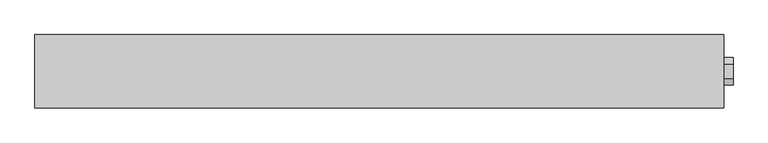
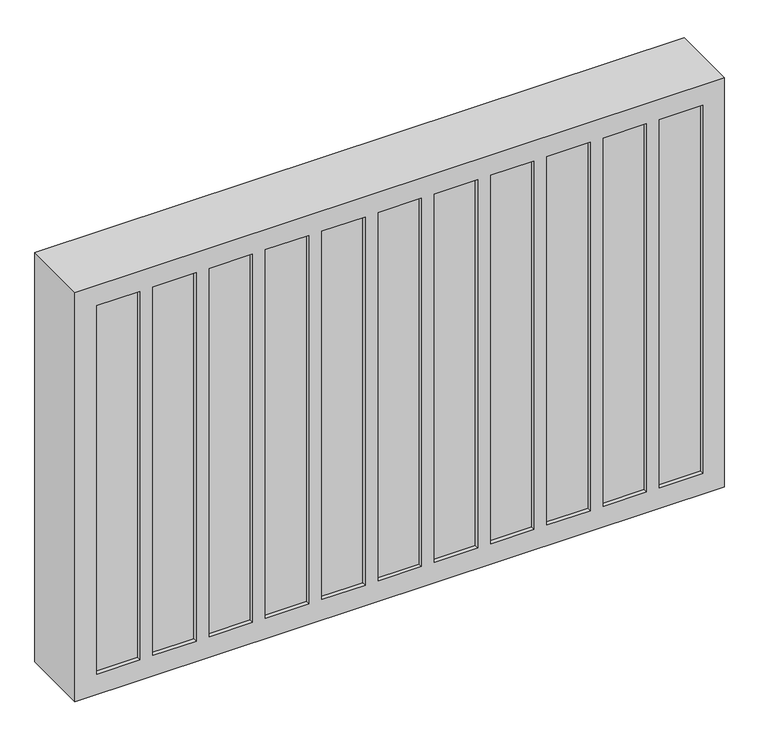
"""IFC4 building model written with IfcOpenShell, lengths in millimetres: proxy geometry."""

from ifc_helpers import new_model, si_unit, frame, origin, place, context, project, spatial, polyline, outline, extrude, faceted_brep, source, transform, mapped, element, save


def generic_models_5b20929f(model_context):
    return source(origin(), model_context, "Body", "SolidModel", [
        extrude(outline(polyline([(95.0, 825.9807621), (110.0, 800.0), (95.0, 774.0192379), (65.0, 774.0192379), (50.0, 800.0), (65.0, 825.9807621), (95.0, 825.9807621)])), frame((0.0, 0.0, 0.0), z_axis=(1.0, 0.0, 0.0), x_axis=(0.0, 1.0, 0.0)), (0.0, 0.0, 1.0), 20.0),
        faceted_brep([(-1500.0, 0.0, 1000.0), (0.0, 0.0, 1000.0), (0.0, 160.0, 1000.0), (-1500.0, 160.0, 1000.0), (0.0, 0.0, 0.0), (-1500.0, 0.0, 0.0), (-1500.0, 160.0, 0.0), (0.0, 160.0, 0.0), (-1350.0, 0.0, 50.0), (-1450.0, 0.0, 50.0), (-1450.0, 0.0, 950.0), (-1350.0, 0.0, 950.0), (-180.0, 0.0, 50.0), (-280.0, 0.0, 50.0), (-280.0, 0.0, 950.0), (-180.0, 0.0, 950.0), (-310.0, 0.0, 50.0), (-410.0, 0.0, 50.0), (-410.0, 0.0, 950.0), (-310.0, 0.0, 950.0), (-440.0, 0.0, 50.0), (-540.0, 0.0, 50.0), (-540.0, 0.0, 950.0), (-440.0, 0.0, 950.0), (-570.0, 0.0, 50.0), (-670.0, 0.0, 50.0), (-670.0, 0.0, 950.0), (-570.0, 0.0, 950.0), (-700.0, 0.0, 50.0), (-800.0, 0.0, 50.0), (-800.0, 0.0, 950.0), (-700.0, 0.0, 950.0), (-830.0, 0.0, 50.0), (-930.0, 0.0, 50.0), (-930.0, 0.0, 950.0), (-830.0, 0.0, 950.0), (-960.0, 0.0, 50.0), (-1060.0, 0.0, 50.0), (-1060.0, 0.0, 950.0), (-960.0, 0.0, 950.0), (-1090.0, 0.0, 50.0), (-1190.0, 0.0, 50.0), (-1190.0, 0.0, 950.0), (-1090.0, 0.0, 950.0), (-1220.0, 0.0, 50.0), (-1320.0, 0.0, 50.0), (-1320.0, 0.0, 950.0), (-1220.0, 0.0, 950.0), (-50.0, 0.0, 50.0), (-150.0, 0.0, 50.0), (-150.0, 0.0, 950.0), (-50.0, 0.0, 950.0), (-1450.0, 10.0, 50.0), (-1350.0, 10.0, 50.0), (-1350.0, 10.0, 950.0), (-1450.0, 10.0, 950.0), (-280.0, 10.0, 50.0), (-180.0, 10.0, 50.0), (-180.0, 10.0, 950.0), (-280.0, 10.0, 950.0), (-410.0, 10.0, 50.0), (-310.0, 10.0, 50.0), (-310.0, 10.0, 950.0), (-410.0, 10.0, 950.0), (-540.0, 10.0, 50.0), (-440.0, 10.0, 50.0), (-440.0, 10.0, 950.0), (-540.0, 10.0, 950.0), (-670.0, 10.0, 50.0), (-570.0, 10.0, 50.0), (-570.0, 10.0, 950.0), (-670.0, 10.0, 950.0), (-800.0, 10.0, 50.0), (-700.0, 10.0, 50.0), (-700.0, 10.0, 950.0), (-800.0, 10.0, 950.0), (-930.0, 10.0, 50.0), (-830.0, 10.0, 50.0), (-830.0, 10.0, 950.0), (-930.0, 10.0, 950.0), (-1060.0, 10.0, 50.0), (-960.0, 10.0, 50.0), (-960.0, 10.0, 950.0), (-1060.0, 10.0, 950.0), (-1190.0, 10.0, 50.0), (-1090.0, 10.0, 50.0), (-1090.0, 10.0, 950.0), (-1190.0, 10.0, 950.0), (-1320.0, 10.0, 50.0), (-1220.0, 10.0, 50.0), (-1220.0, 10.0, 950.0), (-1320.0, 10.0, 950.0), (-150.0, 10.0, 50.0), (-50.0, 10.0, 50.0), (-50.0, 10.0, 950.0), (-150.0, 10.0, 950.0)], [[[0, 1, 2, 3]], [[4, 5, 6, 7]], [[1, 0, 5, 4], [8, 9, 10, 11], [12, 13, 14, 15], [16, 17, 18, 19], [20, 21, 22, 23], [24, 25, 26, 27], [28, 29, 30, 31], [32, 33, 34, 35], [36, 37, 38, 39], [40, 41, 42, 43], [44, 45, 46, 47], [48, 49, 50, 51]], [[2, 1, 4, 7]], [[3, 2, 7, 6]], [[0, 3, 6, 5]], [[52, 53, 54, 55]], [[53, 52, 9, 8]], [[54, 53, 8, 11]], [[55, 54, 11, 10]], [[52, 55, 10, 9]], [[56, 57, 58, 59]], [[57, 56, 13, 12]], [[58, 57, 12, 15]], [[59, 58, 15, 14]], [[56, 59, 14, 13]], [[60, 61, 62, 63]], [[61, 60, 17, 16]], [[62, 61, 16, 19]], [[63, 62, 19, 18]], [[60, 63, 18, 17]], [[64, 65, 66, 67]], [[65, 64, 21, 20]], [[66, 65, 20, 23]], [[67, 66, 23, 22]], [[64, 67, 22, 21]], [[68, 69, 70, 71]], [[69, 68, 25, 24]], [[70, 69, 24, 27]], [[71, 70, 27, 26]], [[68, 71, 26, 25]], [[72, 73, 74, 75]], [[73, 72, 29, 28]], [[74, 73, 28, 31]], [[75, 74, 31, 30]], [[72, 75, 30, 29]], [[76, 77, 78, 79]], [[77, 76, 33, 32]], [[78, 77, 32, 35]], [[79, 78, 35, 34]], [[76, 79, 34, 33]], [[80, 81, 82, 83]], [[81, 80, 37, 36]], [[82, 81, 36, 39]], [[83, 82, 39, 38]], [[80, 83, 38, 37]], [[84, 85, 86, 87]], [[85, 84, 41, 40]], [[86, 85, 40, 43]], [[87, 86, 43, 42]], [[84, 87, 42, 41]], [[88, 89, 90, 91]], [[89, 88, 45, 44]], [[90, 89, 44, 47]], [[91, 90, 47, 46]], [[88, 91, 46, 45]], [[92, 93, 94, 95]], [[93, 92, 49, 48]], [[94, 93, 48, 51]], [[95, 94, 51, 50]], [[92, 95, 50, 49]]]),
    ])


if __name__ == "__main__":
    model = new_model("IFC4")
    model_context = context("Model", 3, world=origin())
    ifc_project = project(units=[si_unit("LENGTHUNIT", "METRE", prefix="MILLI")], contexts=[model_context])
    site = spatial("IfcSite", under=ifc_project)
    building = spatial("IfcBuilding", under=site)
    placement = place(None, origin())
    generic_models_shape = generic_models_5b20929f(model_context)
    element("IfcBuildingElementProxy", 1, Name="Generic Models", at=placement, inside=building, context=model_context, shape_type="MappedRepresentation", body=[
        mapped(generic_models_shape, transform((0.0, 0.0, 0.0), x_axis=(1.0, 0.0, 0.0), y_axis=(0.0, 1.0, 0.0), z_axis=(0.0, 0.0, 1.0))),
    ])
    save(model, "model.ifc")
